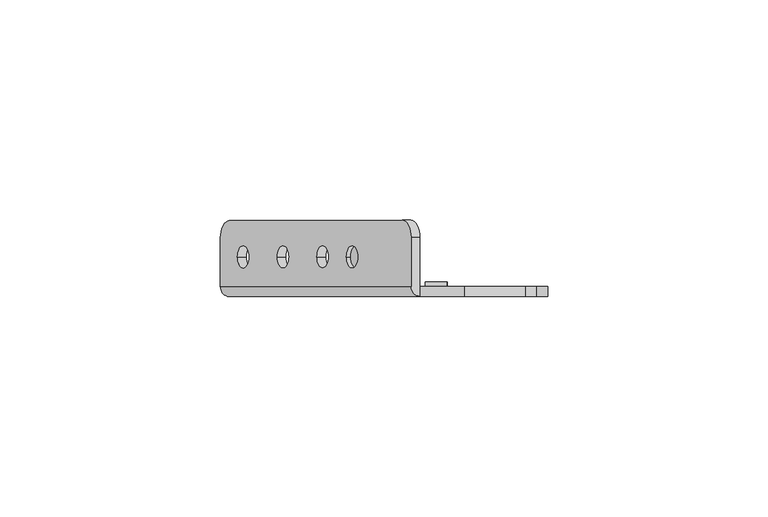
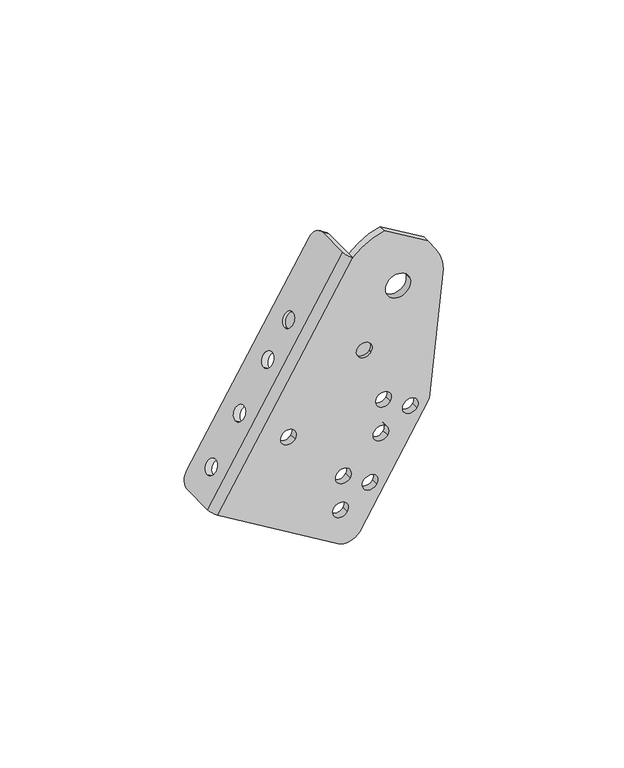
"""IFC4 building model written with IfcOpenShell, lengths in millimetres: proxy geometry."""

from ifc_helpers import new_model, si_unit, frame, origin, place, context, project, spatial, polyline, circle_curve, source, transform, mapped, element, save
from ifc_brep_helpers import plane_surface, cylinder_surface, revolved_surface, advanced_brep


def mechanical_equipment_04336361(model_context):
    return source(origin(), model_context, "Body", "AdvancedBrep", [
        advanced_brep(
        [(-39.0974747, 12.2834534, -6.7418528), (-41.1403964, 16.2499985, -10.1418455), (-80.2929422, 16.2499985, -75.3026242), (-82.3528387, 12.196215, -78.7308677), (-82.3528387, 1.2499985, -78.7308677), (-39.0896404, 1.2499985, -6.7288144), (-78.4900532, 7.953236, -72.3021129), (-75.9148628, 7.953236, -68.0162764), (-69.4768869, 7.953236, -57.3016852), (-66.9016965, 7.953236, -53.0158487), (-60.4637205, 7.953236, -42.3012574), (-57.8885302, 7.953236, -38.0154209), (-53.7682256, 7.9499985, -31.1580825), (-51.1930352, 7.9499985, -26.872246), (-80.3813539, 12.196215, -79.9154553), (-78.3214574, 16.1957184, -76.4872117), (-39.1689116, 16.2499985, -11.3264331), (-37.1259899, 12.2834534, -7.9264404), (-37.1181556, 1.2499985, -7.913402), (-80.3813539, 1.2499985, -79.9154553), (-76.5185684, 7.953236, -73.4867005), (-73.943378, 7.953236, -69.200864), (-67.5054021, 7.953236, -58.4862727), (-64.9302117, 7.953236, -54.2004362), (-58.4922357, 7.953236, -43.485845), (-55.9170454, 7.953236, -39.2000085), (-49.2215504, 7.9499985, -28.0568336), (-51.7967408, 7.9499985, -32.3426701), (-37.1181556, -1.0500015, -7.913402), (-41.8088254, 1.2499985, -103.0921686), (-41.8088254, -1.0500015, -103.0921686), (-80.3813539, -1.0500015, -79.9154553), (-52.9110583, 7.9499985, -31.6731206), (-50.3358679, 7.9499985, -27.3872841), (-34.9477985, -1.0500015, -101.3815225), (-12.5869723, -1.0500015, -64.1668583), (-8.1350927, -1.0500015, -21.8100525), (-10.5995831, -1.0500015, -14.3492654), (-13.0587308, -1.0500015, -10.7034289), (-26.9171426, -1.0500015, -2.376455), (-18.739445, -1.0500015, -21.4898749), (-26.5018108, -1.0500015, -23.4252501), (-59.85968, -1.0500015, -60.1637025), (-55.5738435, -1.0500015, -62.7388929), (-29.4173312, -1.0500015, -58.0392266), (-25.1314947, -1.0500015, -60.614417), (-20.8456582, -1.0500015, -63.1896074), (-16.5598217, -1.0500015, -65.7647978), (-30.2818754, -1.0500015, -69.18609), (-25.9960389, -1.0500015, -71.7612804), (-42.293283, -1.0500015, -79.4684092), (-38.0074465, -1.0500015, -82.0435995), (-33.72161, -1.0500015, -84.6187899), (-29.4357735, -1.0500015, -87.1939803), (-43.1578273, -1.0500015, -90.6152725), (-38.8719908, -1.0500015, -93.1904629), (-35.5793457, -1.0500015, -39.1704806), (-31.2935092, -1.0500015, -41.745671), (-26.9171426, 1.2499985, -2.376455), (-13.0587308, 1.2499985, -10.7034289), (-10.5995831, 1.2499985, -14.3492654), (-8.1350927, 1.2499985, -21.8100525), (-12.5869723, 1.2499985, -64.1668583), (-34.9477985, 1.2499985, -101.3815225), (-18.739445, 1.2499985, -21.4898749), (-26.5018108, 1.2499985, -23.4252501), (-59.85968, 1.2499985, -60.1637025), (-55.5738435, 1.2499985, -62.7388929), (-29.4173312, 1.2499985, -58.0392266), (-25.1314947, 1.2499985, -60.614417), (-20.8456582, 1.2499985, -63.1896074), (-16.5598217, 1.2499985, -65.7647978), (-30.2818754, 1.2499985, -69.18609), (-25.9960389, 1.2499985, -71.7612804), (-42.293283, 1.2499985, -79.4684092), (-38.0074465, 1.2499985, -82.0435995), (-33.72161, 1.2499985, -84.6187899), (-29.4357735, 1.2499985, -87.1939803), (-43.1578273, 1.2499985, -90.6152725), (-38.8719908, 1.2499985, -93.1904629), (-31.0106881, 1.2499985, -39.8532711), (-35.5793457, 1.2499985, -39.1704806), (-35.8621668, 1.2499985, -41.0628805), (-31.2935092, 1.2499985, -41.745671), (-31.0106881, -0.0500015, -39.8532711), (-35.5793457, -0.0500015, -39.1704806), (-35.8621668, -0.0500015, -41.0628805), (-31.2935092, -0.0500015, -41.745671), (-31.0106881, 2.2499985, -39.8532711), (-35.8621668, 2.2499985, -41.0628805), (-50.9395735, 7.9499985, -32.8577081), (-48.3643831, 7.9499985, -28.5718716)],
        [
            (0, 1, circle_curve(frame((-41.1403964, 12.2834534, -10.1418455), z_axis=(-0.8571673007021112, 0.0, 0.5150380749100558), x_axis=(-0.5150380749100559, 0.0, -0.8571673007021114)), 3.9665451)),
            (1, 2),
            (2, 3, circle_curve(frame((-80.2929422, 12.196215, -75.3026242), z_axis=(-0.8571673007021112, 0.0, 0.5150380749100558), x_axis=(-0.5150380749100559, 0.0, -0.8571673007021114)), 3.9995034)),
            (3, 4),
            (4, 5),
            (5, 0),
            (6, 7, circle_curve(frame((-77.202458, 7.953236, -70.1591947), z_axis=(0.8571673007021113, 0.0, -0.515038074910056), x_axis=(0.515038074910056, 0.0, 0.8571673007021113)), 2.5)),
            (7, 6, circle_curve(frame((-77.202458, 7.953236, -70.1591947), z_axis=(0.8571673007021113, 0.0, -0.515038074910056), x_axis=(0.515038074910056, 0.0, 0.8571673007021113)), 2.5)),
            (8, 9, circle_curve(frame((-68.1892917, 7.953236, -55.1587669), z_axis=(0.8571673007021113, 0.0, -0.515038074910056), x_axis=(0.515038074910056, 0.0, 0.8571673007021113)), 2.5)),
            (9, 8, circle_curve(frame((-68.1892917, 7.953236, -55.1587669), z_axis=(0.8571673007021113, 0.0, -0.515038074910056), x_axis=(0.515038074910056, 0.0, 0.8571673007021113)), 2.5)),
            (10, 11, circle_curve(frame((-59.1761254, 7.953236, -40.1583392), z_axis=(0.8571673007021113, 0.0, -0.515038074910056), x_axis=(0.515038074910056, 0.0, 0.8571673007021113)), 2.5)),
            (11, 10, circle_curve(frame((-59.1761254, 7.953236, -40.1583392), z_axis=(0.8571673007021113, 0.0, -0.515038074910056), x_axis=(0.515038074910056, 0.0, 0.8571673007021113)), 2.5)),
            (12, 13, circle_curve(frame((-52.4806304, 7.9499985, -29.0151642), z_axis=(0.8571673007021113, 0.0, -0.515038074910056), x_axis=(0.515038074910056, 0.0, 0.8571673007021113)), 2.5)),
            (13, 12, circle_curve(frame((-52.4806304, 7.9499985, -29.0151642), z_axis=(0.8571673007021113, 0.0, -0.515038074910056), x_axis=(0.515038074910056, 0.0, 0.8571673007021113)), 2.5)),
            (14, 15, circle_curve(frame((-78.3214574, 12.196215, -76.4872117), z_axis=(0.8571673007021112, 0.0, -0.5150380749100558), x_axis=(-0.5150380749100559, 0.0, -0.8571673007021114)), 3.9995034)),
            (15, 16),
            (16, 17, circle_curve(frame((-39.1689116, 12.2834534, -11.3264331), z_axis=(0.8571673007021112, 0.0, -0.5150380749100558), x_axis=(-0.5150380749100559, 0.0, -0.8571673007021114)), 3.9665451)),
            (17, 18),
            (18, 19),
            (19, 14),
            (20, 21, circle_curve(frame((-75.2309732, 7.953236, -71.3437823), z_axis=(-0.8571673007021113, 0.0, 0.515038074910056), x_axis=(0.515038074910056, 0.0, 0.8571673007021113)), 2.5)),
            (21, 20, circle_curve(frame((-75.2309732, 7.953236, -71.3437823), z_axis=(-0.8571673007021113, 0.0, 0.515038074910056), x_axis=(0.515038074910056, 0.0, 0.8571673007021113)), 2.5)),
            (22, 23, circle_curve(frame((-66.2178069, 7.953236, -56.3433545), z_axis=(-0.8571673007021113, 0.0, 0.515038074910056), x_axis=(0.515038074910056, 0.0, 0.8571673007021113)), 2.5)),
            (23, 22, circle_curve(frame((-66.2178069, 7.953236, -56.3433545), z_axis=(-0.8571673007021113, 0.0, 0.515038074910056), x_axis=(0.515038074910056, 0.0, 0.8571673007021113)), 2.5)),
            (24, 25, circle_curve(frame((-57.2046406, 7.953236, -41.3429267), z_axis=(-0.8571673007021113, 0.0, 0.515038074910056), x_axis=(0.515038074910056, 0.0, 0.8571673007021113)), 2.5)),
            (25, 24, circle_curve(frame((-57.2046406, 7.953236, -41.3429267), z_axis=(-0.8571673007021113, 0.0, 0.515038074910056), x_axis=(0.515038074910056, 0.0, 0.8571673007021113)), 2.5)),
            (26, 27, circle_curve(frame((-50.5091456, 7.9499985, -30.1997518), z_axis=(-0.8571673007021119, 0.0, 0.5150380749100552), x_axis=(0.5150380749100552, 0.0, 0.8571673007021119)), 2.5)),
            (27, 26, circle_curve(frame((-50.5091456, 7.9499985, -30.1997518), z_axis=(-0.8571673007021119, 0.0, 0.5150380749100552), x_axis=(0.5150380749100552, 0.0, 0.8571673007021119)), 2.5)),
            (17, 0),
            (5, 28, circle_curve(frame((-37.1181556, 1.2499985, -7.913402), z_axis=(0.5150380749100558, 0.0, 0.8571673007021112), x_axis=(0.0, -1.0, 0.0)), 2.3)),
            (28, 18),
            (16, 1),
            (15, 2),
            (14, 3),
            (19, 29),
            (29, 30),
            (30, 31),
            (31, 4, circle_curve(frame((-80.3813539, 1.2499985, -79.9154553), z_axis=(-0.5150380749100558, 0.0, -0.8571673007021112), x_axis=(0.0, -1.0, 0.0)), 2.3)),
            (6, 20),
            (21, 7),
            (8, 22),
            (23, 9),
            (10, 24),
            (25, 11),
            (12, 32),
            (32, 33, circle_curve(frame((-51.6234631, 7.9499985, -29.5302023), z_axis=(0.8571673007021113, 0.0, -0.515038074910056), x_axis=(0.515038074910056, 0.0, 0.8571673007021113)), 2.5)),
            (33, 13),
            (33, 32, circle_curve(frame((-51.6234631, 7.9499985, -29.5302023), z_axis=(0.8571673007021113, 0.0, -0.515038074910056), x_axis=(0.515038074910056, 0.0, 0.8571673007021113)), 2.5)),
            (30, 34, circle_curve(frame((-39.233635, -1.0500015, -98.8063321), z_axis=(0.0, -1.0, 0.0), x_axis=(0.9702957262759975, 0.0, 0.24192189559966465)), 5.0)),
            (34, 35),
            (35, 36),
            (36, 37, circle_curve(frame((-22.6206279, -1.0500015, -22.4575625), z_axis=(0.0, -1.0, 0.0), x_axis=(0.9702957262759975, 0.0, 0.24192189559966465)), 14.5)),
            (37, 38),
            (38, 39),
            (39, 28, circle_curve(frame((-22.6206279, -1.0500015, -22.4575625), z_axis=(0.0, -1.0, 0.0), x_axis=(0.9702957262759975, 0.0, 0.24192189559966465)), 20.5356012)),
            (28, 31),
            (40, 41, circle_curve(frame((-22.6206279, -1.0500015, -22.4575625), z_axis=(0.0, 1.0, 0.0), x_axis=(0.9702957262759975, 0.0, 0.24192189559966465)), 4.0)),
            (41, 40, circle_curve(frame((-22.6206279, -1.0500015, -22.4575625), z_axis=(0.0, 1.0, 0.0), x_axis=(0.9702957262759975, 0.0, 0.24192189559966465)), 4.0)),
            (42, 43, circle_curve(frame((-57.7167618, -1.0500015, -61.4512977), z_axis=(0.0, 1.0, 0.0), x_axis=(0.8571673007021119, 0.0, -0.5150380749100552)), 2.5)),
            (43, 42, circle_curve(frame((-57.7167618, -1.0500015, -61.4512977), z_axis=(0.0, 1.0, 0.0), x_axis=(0.8571673007021119, 0.0, -0.5150380749100552)), 2.5)),
            (44, 45, circle_curve(frame((-27.2744129, -1.0500015, -59.3268218), z_axis=(0.0, 1.0, 0.0), x_axis=(0.8571673007021119, 0.0, -0.5150380749100552)), 2.5)),
            (45, 44, circle_curve(frame((-27.2744129, -1.0500015, -59.3268218), z_axis=(0.0, 1.0, 0.0), x_axis=(0.8571673007021119, 0.0, -0.5150380749100552)), 2.5)),
            (46, 47, circle_curve(frame((-18.7027399, -1.0500015, -64.4772026), z_axis=(0.0, 1.0, 0.0), x_axis=(0.8571673007021119, 0.0, -0.5150380749100552)), 2.5)),
            (47, 46, circle_curve(frame((-18.7027399, -1.0500015, -64.4772026), z_axis=(0.0, 1.0, 0.0), x_axis=(0.8571673007021119, 0.0, -0.5150380749100552)), 2.5)),
            (48, 49, circle_curve(frame((-28.1389572, -1.0500015, -70.4736852), z_axis=(0.0, 1.0, 0.0), x_axis=(0.8571673007021119, 0.0, -0.5150380749100552)), 2.5)),
            (49, 48, circle_curve(frame((-28.1389572, -1.0500015, -70.4736852), z_axis=(0.0, 1.0, 0.0), x_axis=(0.8571673007021119, 0.0, -0.5150380749100552)), 2.5)),
            (50, 51, circle_curve(frame((-40.1503648, -1.0500015, -80.7560043), z_axis=(0.0, 1.0, 0.0), x_axis=(0.8571673007021119, 0.0, -0.5150380749100552)), 2.5)),
            (51, 50, circle_curve(frame((-40.1503648, -1.0500015, -80.7560043), z_axis=(0.0, 1.0, 0.0), x_axis=(0.8571673007021119, 0.0, -0.5150380749100552)), 2.5)),
            (52, 53, circle_curve(frame((-31.5786918, -1.0500015, -85.9063851), z_axis=(0.0, 1.0, 0.0), x_axis=(0.8571673007021119, 0.0, -0.5150380749100552)), 2.5)),
            (53, 52, circle_curve(frame((-31.5786918, -1.0500015, -85.9063851), z_axis=(0.0, 1.0, 0.0), x_axis=(0.8571673007021119, 0.0, -0.5150380749100552)), 2.5)),
            (54, 55, circle_curve(frame((-41.014909, -1.0500015, -91.9028677), z_axis=(0.0, 1.0, 0.0), x_axis=(0.8571673007021119, 0.0, -0.5150380749100552)), 2.5)),
            (55, 54, circle_curve(frame((-41.014909, -1.0500015, -91.9028677), z_axis=(0.0, 1.0, 0.0), x_axis=(0.8571673007021119, 0.0, -0.5150380749100552)), 2.5)),
            (56, 57, circle_curve(frame((-33.4364275, -1.0500015, -40.4580758), z_axis=(0.0, 1.0, 0.0), x_axis=(0.8571673007021119, 0.0, -0.5150380749100552)), 2.5)),
            (57, 56, circle_curve(frame((-33.4364275, -1.0500015, -40.4580758), z_axis=(0.0, 1.0, 0.0), x_axis=(0.8571673007021119, 0.0, -0.5150380749100552)), 2.5)),
            (18, 58, circle_curve(frame((-22.6206279, 1.2499985, -22.4575625), z_axis=(0.0, 1.0, 0.0), x_axis=(0.9702957262759975, 0.0, 0.24192189559966465)), 20.5356012)),
            (58, 59),
            (59, 60),
            (60, 61, circle_curve(frame((-22.6206279, 1.2499985, -22.4575625), z_axis=(0.0, 1.0, 0.0), x_axis=(0.9702957262759975, 0.0, 0.24192189559966465)), 14.5)),
            (61, 62),
            (62, 63),
            (63, 29, circle_curve(frame((-39.233635, 1.2499985, -98.8063321), z_axis=(0.0, 1.0, 0.0), x_axis=(0.9702957262759975, 0.0, 0.24192189559966465)), 5.0)),
            (64, 65, circle_curve(frame((-22.6206279, 1.2499985, -22.4575625), z_axis=(0.0, -1.0, 0.0), x_axis=(0.9702957262759975, 0.0, 0.24192189559966465)), 4.0)),
            (65, 64, circle_curve(frame((-22.6206279, 1.2499985, -22.4575625), z_axis=(0.0, -1.0, 0.0), x_axis=(0.9702957262759975, 0.0, 0.24192189559966465)), 4.0)),
            (66, 67, circle_curve(frame((-57.7167618, 1.2499985, -61.4512977), z_axis=(0.0, -1.0, 0.0), x_axis=(0.8571673007021119, 0.0, -0.5150380749100552)), 2.5)),
            (67, 66, circle_curve(frame((-57.7167618, 1.2499985, -61.4512977), z_axis=(0.0, -1.0, 0.0), x_axis=(0.8571673007021119, 0.0, -0.5150380749100552)), 2.5)),
            (68, 69, circle_curve(frame((-27.2744129, 1.2499985, -59.3268218), z_axis=(0.0, -1.0, 0.0), x_axis=(0.8571673007021119, 0.0, -0.5150380749100552)), 2.5)),
            (69, 68, circle_curve(frame((-27.2744129, 1.2499985, -59.3268218), z_axis=(0.0, -1.0, 0.0), x_axis=(0.8571673007021119, 0.0, -0.5150380749100552)), 2.5)),
            (70, 71, circle_curve(frame((-18.7027399, 1.2499985, -64.4772026), z_axis=(0.0, -1.0, 0.0), x_axis=(0.8571673007021119, 0.0, -0.5150380749100552)), 2.5)),
            (71, 70, circle_curve(frame((-18.7027399, 1.2499985, -64.4772026), z_axis=(0.0, -1.0, 0.0), x_axis=(0.8571673007021119, 0.0, -0.5150380749100552)), 2.5)),
            (72, 73, circle_curve(frame((-28.1389572, 1.2499985, -70.4736852), z_axis=(0.0, -1.0, 0.0), x_axis=(0.8571673007021119, 0.0, -0.5150380749100552)), 2.5)),
            (73, 72, circle_curve(frame((-28.1389572, 1.2499985, -70.4736852), z_axis=(0.0, -1.0, 0.0), x_axis=(0.8571673007021119, 0.0, -0.5150380749100552)), 2.5)),
            (74, 75, circle_curve(frame((-40.1503648, 1.2499985, -80.7560043), z_axis=(0.0, -1.0, 0.0), x_axis=(0.8571673007021119, 0.0, -0.5150380749100552)), 2.5)),
            (75, 74, circle_curve(frame((-40.1503648, 1.2499985, -80.7560043), z_axis=(0.0, -1.0, 0.0), x_axis=(0.8571673007021119, 0.0, -0.5150380749100552)), 2.5)),
            (76, 77, circle_curve(frame((-31.5786918, 1.2499985, -85.9063851), z_axis=(0.0, -1.0, 0.0), x_axis=(0.8571673007021119, 0.0, -0.5150380749100552)), 2.5)),
            (77, 76, circle_curve(frame((-31.5786918, 1.2499985, -85.9063851), z_axis=(0.0, -1.0, 0.0), x_axis=(0.8571673007021119, 0.0, -0.5150380749100552)), 2.5)),
            (78, 79, circle_curve(frame((-41.014909, 1.2499985, -91.9028677), z_axis=(0.0, -1.0, 0.0), x_axis=(0.8571673007021119, 0.0, -0.5150380749100552)), 2.5)),
            (79, 78, circle_curve(frame((-41.014909, 1.2499985, -91.9028677), z_axis=(0.0, -1.0, 0.0), x_axis=(0.8571673007021119, 0.0, -0.5150380749100552)), 2.5)),
            (80, 81, circle_curve(frame((-33.4364275, 1.2499985, -40.4580758), z_axis=(0.0, -1.0, 0.0), x_axis=(0.9702957262759975, 0.0, 0.24192189559966465)), 2.5)),
            (81, 82, circle_curve(frame((-33.4364275, 1.2499985, -40.4580758), z_axis=(0.0, -1.0, 0.0), x_axis=(0.9702957262759975, 0.0, 0.24192189559966465)), 2.5)),
            (82, 83, circle_curve(frame((-33.4364275, 1.2499985, -40.4580758), z_axis=(0.0, -1.0, 0.0), x_axis=(0.9702957262759975, 0.0, 0.24192189559966465)), 2.5)),
            (83, 80, circle_curve(frame((-33.4364275, 1.2499985, -40.4580758), z_axis=(0.0, -1.0, 0.0), x_axis=(0.9702957262759975, 0.0, 0.24192189559966465)), 2.5)),
            (63, 34),
            (62, 35),
            (61, 36),
            (60, 37),
            (59, 38),
            (58, 39),
            (40, 64),
            (65, 41),
            (84, 85, circle_curve(frame((-33.4364275, -0.0500015, -40.4580758), z_axis=(0.0, -1.0, 0.0), x_axis=(0.8571673007021119, 0.0, -0.5150380749100552)), 2.5)),
            (85, 86, circle_curve(frame((-33.4364275, -0.0500015, -40.4580758), z_axis=(0.0, -1.0, 0.0), x_axis=(0.8571673007021119, 0.0, -0.5150380749100552)), 2.5)),
            (86, 87, circle_curve(frame((-33.4364275, -0.0500015, -40.4580758), z_axis=(0.0, -1.0, 0.0), x_axis=(0.8571673007021119, 0.0, -0.5150380749100552)), 2.5)),
            (87, 84, circle_curve(frame((-33.4364275, -0.0500015, -40.4580758), z_axis=(0.0, -1.0, 0.0), x_axis=(0.8571673007021119, 0.0, -0.5150380749100552)), 2.5)),
            (88, 89, circle_curve(frame((-33.4364275, 2.2499985, -40.4580758), z_axis=(0.0, 1.0, 0.0), x_axis=(0.9702957262759975, 0.0, 0.24192189559966465)), 2.5)),
            (89, 88, circle_curve(frame((-33.4364275, 2.2499985, -40.4580758), z_axis=(0.0, 1.0, 0.0), x_axis=(0.9702957262759975, 0.0, 0.24192189559966465)), 2.5)),
            (89, 82),
            (80, 88),
            (90, 91, circle_curve(frame((-49.6519783, 7.9499985, -30.7147899), z_axis=(0.8571673007021119, 0.0, -0.5150380749100552), x_axis=(0.5150380749100552, 0.0, 0.8571673007021119)), 2.5)),
            (91, 90, circle_curve(frame((-49.6519783, 7.9499985, -30.7147899), z_axis=(0.8571673007021119, 0.0, -0.5150380749100552), x_axis=(0.5150380749100552, 0.0, 0.8571673007021119)), 2.5)),
            (90, 27),
            (26, 91),
            (42, 66),
            (67, 43),
            (44, 68),
            (69, 45),
            (46, 70),
            (71, 47),
            (48, 72),
            (73, 49),
            (50, 74),
            (75, 51),
            (52, 76),
            (77, 53),
            (54, 78),
            (79, 55),
            (56, 85),
            (87, 57),
        ],
        [
            plane_surface(frame((-39.0896404, -1.0593878, -6.7288144), z_axis=(-0.8571673007021113, 0.0, 0.515038074910056), x_axis=(0.0, 1.0, 0.0))),
            plane_surface(frame((-37.1181556, -1.0593878, -7.913402), z_axis=(0.8571673007021113, 0.0, -0.515038074910056), x_axis=(0.0, -1.0, 0.0))),
            plane_surface(frame((-39.0896404, -1.0500015, -6.7288144), z_axis=(0.5150380749100559, 0.0, 0.8571673007021113), x_axis=(0.8571673007021113, 0.0, -0.5150380749100559))),
            cylinder_surface(frame((-39.1689116, 12.2834534, -11.3264331), z_axis=(-0.8571673007021114, 0.0, 0.5150380749100559), x_axis=(-0.5150380749100559, 0.0, -0.8571673007021114)), 3.9665451),
            plane_surface(frame((-41.1403964, 16.2499985, -10.1418455), z_axis=(0.0, 1.0, 0.0), x_axis=(0.8571673007021113, 0.0, -0.5150380749100559))),
            cylinder_surface(frame((-78.3214574, 12.196215, -76.4872117), z_axis=(-0.8571673007021114, 0.0, 0.5150380749100559), x_axis=(-0.5150380749100559, 0.0, -0.8571673007021114)), 3.9995034),
            plane_surface(frame((-82.3528387, 12.196215, -78.7308677), z_axis=(-0.5150380749100552, 0.0, -0.8571673007021119), x_axis=(0.8571673007021119, 0.0, -0.5150380749100552))),
            revolved_surface(polyline([(-73.94337801272485, 7.953236, -69.20086404824472), (-75.91486285493045, 7.953236, -68.01627644555361)]), (-75.2309732, 7.953236, -71.3437823), (0.8571673007021113, 0.0, -0.515038074910056)),
            revolved_surface(polyline([(-64.93021171272486, 7.953236, -54.20043624824472), (-66.90169652273244, 7.953236, -53.01584866490013)]), (-66.2178069, 7.953236, -56.3433545), (0.8571673007021113, 0.0, -0.515038074910056)),
            revolved_surface(polyline([(-55.91704532730191, 7.953236, -39.20000849957201), (-57.88853019053443, 7.953236, -38.015420884246645)]), (-57.2046406, 7.953236, -41.3429267), (0.8571673007021113, 0.0, -0.515038074910056)),
            revolved_surface(polyline([(-50.33586787927163, 7.9499985, -27.3872840655022), (-51.19303522273244, 7.9499985, -26.872245964900127)]), (-50.5091456, 7.9499985, -30.1997518), (0.8571673007021113, 0.0, -0.515038074910056)),
            plane_surface(frame((-80.3813539, -1.0500015, -79.9154553), z_axis=(0.0, -1.0000000000000002, 0.0), x_axis=(-0.515038074910056, 0.0, -0.8571673007021113))),
            plane_surface(frame((-80.3813539, 1.2499985, -79.9154553), z_axis=(0.0, 1.0000000000000002, 0.0), x_axis=(0.515038074910056, 0.0, 0.8571673007021113))),
            cylinder_surface(frame((-39.233635, 1.2499985, -98.8063321), z_axis=(0.0, -1.0, 0.0), x_axis=(0.9702957262759975, 0.0, 0.24192189559966465)), 5.0),
            plane_surface(frame((-34.9477985, -1.0500015, -101.3815225), z_axis=(0.8571673007021084, 0.0, -0.5150380749100608), x_axis=(0.0, 1.0, 0.0))),
            plane_surface(frame((-12.5869723, -1.0500015, -64.1668583), z_axis=(0.9945218953682735, 0.0, -0.10452846326765325), x_axis=(0.0, 1.0, 0.0))),
            cylinder_surface(frame((-22.6206279, 1.2499985, -22.4575625), z_axis=(0.0, -1.0, 0.0), x_axis=(0.9702957262759975, 0.0, 0.24192189559966465)), 14.5),
            plane_surface(frame((-10.5995831, -1.0500015, -14.3492654), z_axis=(0.8290375725550875, 0.0, 0.5591929034706792), x_axis=(0.0, 1.0, 0.0))),
            plane_surface(frame((-13.0587308, -1.0500015, -10.7034289), z_axis=(0.5150380749100527, 0.0, 0.8571673007021133), x_axis=(0.0, 1.0, 0.0))),
            cylinder_surface(frame((-22.6206279, 1.2499985, -22.4575625), z_axis=(0.0, -1.0, 0.0), x_axis=(0.9702957262759975, 0.0, 0.24192189559966465)), 20.5356012),
            revolved_surface(polyline([(-18.739444994896008, 1.2499985, -21.489874917601345), (-18.739444994896008, -1.0500014999999998, -21.489874917601345)]), (-22.6206279, 1.2499985, -22.4575625), (0.0, 1.0, 0.0)),
            plane_surface(frame((-31.0106881, -0.0500015, -39.8532711), z_axis=(0.0, -1.0, 0.0), x_axis=(-0.2419218955996646, 0.0, 0.9702957262759973))),
            plane_surface(frame((-31.0106881, 2.2499985, -39.8532711), z_axis=(0.0, 1.0, 0.0), x_axis=(0.2419218955996646, 0.0, -0.9702957262759973))),
            cylinder_surface(frame((-33.4364275, 2.2499985, -40.4580758), z_axis=(0.0, -1.0, 0.0), x_axis=(0.9702957262759975, 0.0, 0.24192189559966465)), 2.5),
            plane_surface(frame((-48.3643831, 7.9499985, -28.5718716), z_axis=(0.8571673007021119, 0.0, -0.5150380749100552), x_axis=(0.0, -1.0, 0.0))),
            plane_surface(frame((-50.3358679, 7.9499985, -27.3872841), z_axis=(-0.8571673007021119, 0.0, 0.5150380749100552), x_axis=(0.0, 1.0, 0.0))),
            cylinder_surface(frame((-51.6234631, 7.9499985, -29.5302023), z_axis=(0.8571673007021119, 0.0, -0.5150380749100552), x_axis=(0.5150380749100552, 0.0, 0.8571673007021119)), 2.5),
            cylinder_surface(frame((-80.3813539, 1.2499985, -79.9154553), z_axis=(0.5150380749100559, 0.0, 0.8571673007021114), x_axis=(0.0, -1.0, 0.0)), 2.3),
            revolved_surface(polyline([(-55.573843548244724, 1.2499985, -62.738892887275135), (-55.573843548244724, -1.0500014999999998, -62.738892887275135)]), (-57.7167618, 1.2499985, -61.4512977), (0.0, 1.0, 0.0)),
            revolved_surface(polyline([(-25.131494648244722, 1.2499985, -60.614416987275135), (-25.131494648244722, -1.0500014999999998, -60.614416987275135)]), (-27.2744129, 1.2499985, -59.3268218), (0.0, 1.0, 0.0)),
            revolved_surface(polyline([(-16.55982164824472, 1.2499985, -65.76479778727514), (-16.55982164824472, -1.0500014999999998, -65.76479778727514)]), (-18.7027399, 1.2499985, -64.4772026), (0.0, 1.0, 0.0)),
            revolved_surface(polyline([(-25.99603894824472, 1.2499985, -71.76128038727515), (-25.99603894824472, -1.0500014999999998, -71.76128038727515)]), (-28.1389572, 1.2499985, -70.4736852), (0.0, 1.0, 0.0)),
            revolved_surface(polyline([(-38.007446548244715, 1.2499985, -82.04359948727515), (-38.007446548244715, -1.0500014999999998, -82.04359948727515)]), (-40.1503648, 1.2499985, -80.7560043), (0.0, 1.0, 0.0)),
            revolved_surface(polyline([(-29.435773548244722, 1.2499985, -87.19398028727514), (-29.435773548244722, -1.0500014999999998, -87.19398028727514)]), (-31.5786918, 1.2499985, -85.9063851), (0.0, 1.0, 0.0)),
            revolved_surface(polyline([(-38.87199074824473, 1.2499985, -93.19046288727515), (-38.87199074824473, -1.0500014999999998, -93.19046288727515)]), (-41.014909, 1.2499985, -91.9028677), (0.0, 1.0, 0.0)),
            revolved_surface(polyline([(-31.29350924824472, -0.05000150000000003, -41.74567098727514), (-31.29350924824472, -1.0500014999999998, -41.74567098727514)]), (-33.4364275, 1.2499985, -40.4580758), (0.0, 1.0, 0.0)),
        ],
        [
            (0, [[1, 2, 3, 4, 5, 6], [7, 8], [9, 10], [11, 12], [13, 14]]),
            (1, [[15, 16, 17, 18, 19, 20], [21, 22], [23, 24], [25, 26], [27, 28]]),
            (2, [[29, -6, 30, 31, -18]]),
            (3, [[-1, -29, -17, 32]]),
            (4, [[-2, -32, -16, 33]]),
            (5, [[-3, -33, -15, 34]]),
            (6, [[-34, -20, 35, 36, 37, 38, -4]]),
            (7, [[-7, 39, -22, 40]]),
            (7, [[-8, -40, -21, -39]]),
            (8, [[-9, 41, -24, 42]]),
            (8, [[-10, -42, -23, -41]]),
            (9, [[-11, 43, -26, 44]]),
            (9, [[-12, -44, -25, -43]]),
            (10, [[-13, 45, 46, 47]]),
            (10, [[-14, -47, 48, -45]]),
            (11, [[-37, 49, 50, 51, 52, 53, 54, 55, 56], [57, 58], [59, 60], [61, 62], [63, 64], [65, 66], [67, 68], [69, 70], [71, 72], [73, 74]]),
            (12, [[75, 76, 77, 78, 79, 80, 81, -35, -19], [82, 83], [84, 85], [86, 87], [88, 89], [90, 91], [92, 93], [94, 95], [96, 97], [98, 99, 100, 101]]),
            (13, [[-49, -36, -81, 102]]),
            (14, [[-50, -102, -80, 103]]),
            (15, [[-51, -103, -79, 104]]),
            (16, [[-52, -104, -78, 105]]),
            (17, [[-53, -105, -77, 106]]),
            (18, [[-54, -106, -76, 107]]),
            (19, [[-55, -107, -75, -31]]),
            (20, [[-57, 108, -83, 109]]),
            (20, [[-58, -109, -82, -108]]),
            (21, [[110, 111, 112, 113]]),
            (22, [[114, 115]]),
            (23, [[-115, 116, -99, -98, 117]]),
            (23, [[-114, -117, -101, -100, -116]]),
            (24, [[118, 119]]),
            (25, [[-46, -48]]),
            (26, [[-118, 120, -27, 121]]),
            (26, [[-119, -121, -28, -120]]),
            (27, [[-5, -38, -56, -30]]),
            (28, [[-59, 122, -85, 123]]),
            (28, [[-60, -123, -84, -122]]),
            (29, [[-61, 124, -87, 125]]),
            (29, [[-62, -125, -86, -124]]),
            (30, [[-63, 126, -89, 127]]),
            (30, [[-64, -127, -88, -126]]),
            (31, [[-65, 128, -91, 129]]),
            (31, [[-66, -129, -90, -128]]),
            (32, [[-67, 130, -93, 131]]),
            (32, [[-68, -131, -92, -130]]),
            (33, [[-69, 132, -95, 133]]),
            (33, [[-70, -133, -94, -132]]),
            (34, [[-71, 134, -97, 135]]),
            (34, [[-72, -135, -96, -134]]),
            (35, [[-73, 136, -110, -113, 137]]),
            (35, [[-74, -137, -112, -111, -136]]),
        ],
    ),
    ])


if __name__ == "__main__":
    model = new_model("IFC4")
    model_context = context("Model", 3, world=origin())
    ifc_project = project(units=[si_unit("LENGTHUNIT", "METRE", prefix="MILLI")], contexts=[model_context])
    site = spatial("IfcSite", under=ifc_project)
    building = spatial("IfcBuilding", under=site)
    placement = place(None, origin())
    mechanical_equipment_shape = mechanical_equipment_04336361(model_context)
    element("IfcBuildingElementProxy", 1, Name="Mechanical Equipment", at=placement, inside=building, context=model_context, shape_type="MappedRepresentation", body=[
        mapped(mechanical_equipment_shape, transform((0.0, 0.0, 0.0), x_axis=(1.0, 0.0, 0.0), y_axis=(0.0, 1.0, 0.0), z_axis=(0.0, 0.0, 1.0))),
    ])
    save(model, "model.ifc")
